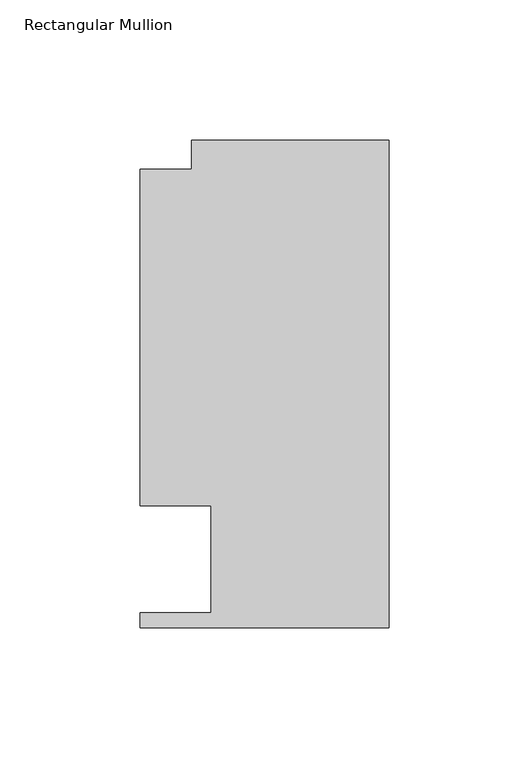
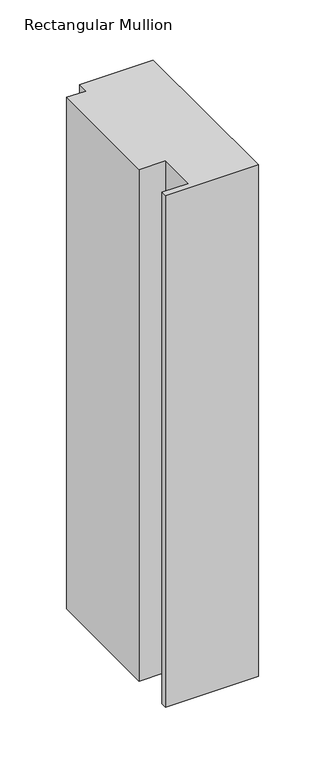
"""IFC4 building model written with IfcOpenShell, lengths in millimetres: member geometry, Rectangular Mullion."""

from ifc_helpers import new_model, si_unit, frame, origin, place, context, project, spatial, polyline, outline, extrude, source, transform, mapped, element, save


def rectangular_mullion_502859a9(model_context):
    return source(origin(), model_context, "Body", "SweptSolid", [
        extrude(outline(polyline([(-88.9131928, 151.892), (-70.395709, 151.892), (-70.395709, 162.3059961), (0.0, 162.3059961), (0.0, -11.684), (-88.9131928, -11.684), (-88.9131928, -6.35), (-63.5131928, -6.35), (-63.5131928, 31.75), (-88.9131928, 31.75), (-88.9131928, 151.892)])), frame((0.0, 0.0, -517.1637125), z_axis=(0.0, 0.0, 1.0), x_axis=(1.0, 0.0, 0.0)), (0.0, 0.0, 1.0), 517.1637125),
    ])


if __name__ == "__main__":
    model = new_model("IFC4")
    model_context = context("Model", 3, world=origin())
    ifc_project = project(units=[si_unit("LENGTHUNIT", "METRE", prefix="MILLI")], contexts=[model_context])
    site = spatial("IfcSite", under=ifc_project)
    building = spatial("IfcBuilding", under=site)
    placement = place(None, origin())
    rectangular_mullion_shape = rectangular_mullion_502859a9(model_context)
    element("IfcMember", 1, ObjectType="Rectangular Mullion", at=placement, inside=building, context=model_context, shape_type="MappedRepresentation", body=[
        mapped(rectangular_mullion_shape, transform((0.0, 0.0, 0.0), x_axis=(1.0, 0.0, 0.0), y_axis=(0.0, 1.0, 0.0), z_axis=(0.0, 0.0, 1.0))),
    ])
    save(model, "model.ifc")
